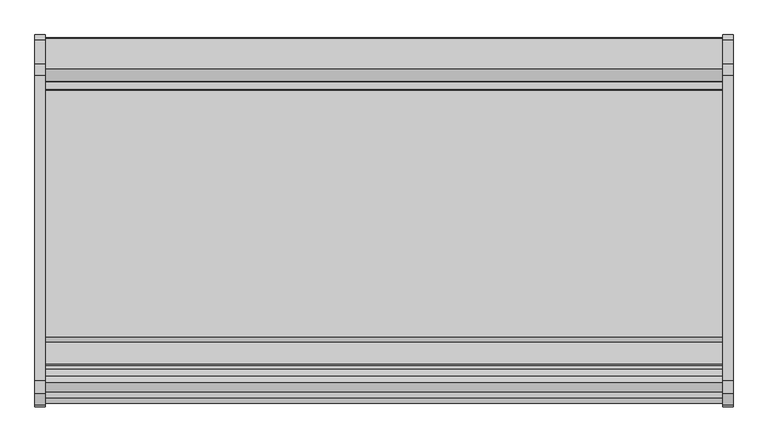
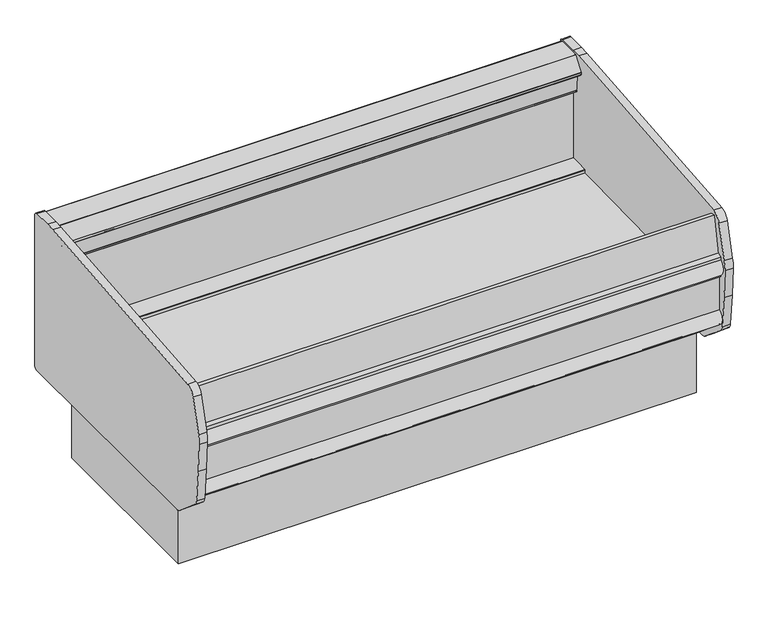
"""IFC4 building model written with IfcOpenShell, lengths in millimetres: proxy geometry."""

from ifc_helpers import new_model, si_unit, point, frame, frame_2d, origin, origin_with_axes, place, context, project, spatial, polyline, circle_curve, trimmed, segment, composite_curve, outline, extrude, source, transform, mapped, element, save
from ifc_brep_helpers import plane_surface, revolved_surface, advanced_brep


def mechanical_equipment_bba1b7fb(model_context):
    return source(origin(), model_context, "Body", "SolidModel", [
        extrude(outline(composite_curve([segment(trimmed(circle_curve(frame_2d((1219.2, -1463.6394819)), 38.1), [point((1181.1, -1463.6394819))], [point((1257.3, -1463.6394819))], False, "CARTESIAN"), True, "CONTINUOUS"), segment(trimmed(circle_curve(frame_2d((1219.2, -1463.6394819)), 38.1), [point((1257.3, -1463.6394819))], [point((1181.1, -1463.6394819))], False, "CARTESIAN"), True, "CONTINUOUS")], self_intersect=False)), origin_with_axes(), (0.0, 0.0, 1.0), 101.6),
        extrude(outline(polyline([(67.5523612, -1215.2909077), (303.3625867, -1215.2909077), (303.3625867, -1515.2505291), (67.5523612, -1515.2505291), (67.5523612, -1215.2909077)])), frame((0.0, 0.0, 85.9624321), z_axis=(0.0, 0.0, 1.0), x_axis=(1.0, 0.0, 0.0)), (0.0, 0.0, 1.0), 15.6375679),
        advanced_brep(
        [(2438.4, -699.9589272, 330.2), (2438.4, -1569.9089272, 330.2), (2438.4, -1569.9089272, 0.0), (2438.4, -699.9589272, 0.0), (0.0, -699.9589272, 330.2), (0.0, -699.9589272, 0.0), (0.0, -1569.9089272, 0.0), (0.0, -1569.9089272, 330.2), (303.3625867, -1515.2505291, 0.0), (303.3625867, -1215.2909077, 0.0), (67.5523612, -1215.2909077, 0.0), (67.5523612, -1515.2505291, 0.0), (1168.4, -1463.6394819, 0.0), (1270.0, -1463.6394819, 0.0), (303.3625867, -1515.2505291, 101.6), (67.5523612, -1515.2505291, 101.6), (67.5523612, -1215.2909077, 101.6), (303.3625867, -1215.2909077, 101.6), (1168.4, -1463.6394819, 101.6), (1270.0, -1463.6394819, 101.6)],
        [
            (0, 1),
            (1, 2),
            (2, 3),
            (3, 0),
            (4, 5),
            (5, 6),
            (6, 7),
            (7, 4),
            (0, 4),
            (7, 1),
            (6, 2),
            (5, 3),
            (8, 9),
            (9, 10),
            (10, 11),
            (11, 8),
            (12, 13, circle_curve(frame((1219.2, -1463.6394819, 0.0), z_axis=(0.0, 0.0, 1.0), x_axis=(1.0, 0.0, 0.0)), 50.8)),
            (13, 12, circle_curve(frame((1219.2, -1463.6394819, 0.0), z_axis=(0.0, 0.0, 1.0), x_axis=(1.0, 0.0, 0.0)), 50.8)),
            (14, 15),
            (15, 16),
            (16, 17),
            (17, 14),
            (17, 9),
            (8, 14),
            (16, 10),
            (15, 11),
            (18, 19, circle_curve(frame((1219.2, -1463.6394819, 101.6), z_axis=(0.0, 0.0, -1.0), x_axis=(1.0, 0.0, 0.0)), 50.8)),
            (19, 18, circle_curve(frame((1219.2, -1463.6394819, 101.6), z_axis=(0.0, 0.0, -1.0), x_axis=(1.0, 0.0, 0.0)), 50.8)),
            (19, 13),
            (12, 18),
        ],
        [
            plane_surface(frame((2438.4, -699.9589272, 330.2), z_axis=(1.0, 0.0, 0.0), x_axis=(0.0, -1.0, 0.0))),
            plane_surface(frame((0.0, -699.9589272, 330.2), z_axis=(-1.0, 0.0, 0.0), x_axis=(0.0, 1.0, 0.0))),
            plane_surface(frame((2438.4, -699.9589272, 330.2), z_axis=(0.0, 0.0, 1.0), x_axis=(-1.0, 0.0, 0.0))),
            plane_surface(frame((2438.4, -1569.9089272, 330.2), z_axis=(0.0, -1.0, 0.0), x_axis=(-1.0, 0.0, 0.0))),
            plane_surface(frame((2438.4, -1569.9089272, 0.0), z_axis=(0.0, 0.0, -1.0), x_axis=(-1.0, 0.0, 0.0))),
            plane_surface(frame((2438.4, -699.9589272, 0.0), z_axis=(0.0, 1.0, 0.0), x_axis=(-1.0, 0.0, 0.0))),
            plane_surface(frame((303.3625867, -1493.7089272, 101.6), z_axis=(0.0, 0.0, -1.0), x_axis=(0.0, 1.0, 0.0))),
            plane_surface(frame((303.3625867, -1515.2505291, 101.6), z_axis=(-1.0, 0.0, 0.0), x_axis=(0.0, 0.0, -1.0))),
            plane_surface(frame((303.3625867, -1215.2909077, 101.6), z_axis=(0.0, -1.0, 0.0), x_axis=(0.0, 0.0, -1.0))),
            plane_surface(frame((67.5523612, -1215.2909077, 101.6), z_axis=(1.0, 0.0, 0.0), x_axis=(0.0, 0.0, -1.0))),
            plane_surface(frame((67.5523612, -1515.2505291, 101.6), z_axis=(0.0, 1.0, 0.0), x_axis=(0.0, 0.0, -1.0))),
            plane_surface(frame((1270.0, -1463.6394819, 101.6), z_axis=(0.0, 0.0, -1.0), x_axis=(0.0, 1.0, 0.0))),
            revolved_surface(polyline([(1270.0, -1463.6394819, 101.6), (1270.0, -1463.6394819, 0.0)]), (1219.2, -1463.6394819, 0.0), (0.0, 0.0, 1.0)),
        ],
        [
            (0, [[1, 2, 3, 4]]),
            (1, [[5, 6, 7, 8]]),
            (2, [[-1, 9, -8, 10]]),
            (3, [[-2, -10, -7, 11]]),
            (4, [[-3, -11, -6, 12], [13, 14, 15, 16], [17, 18]]),
            (5, [[-4, -12, -5, -9]]),
            (6, [[19, 20, 21, 22]]),
            (7, [[-22, 23, -13, 24]]),
            (8, [[-21, 25, -14, -23]]),
            (9, [[-20, 26, -15, -25]]),
            (10, [[-19, -24, -16, -26]]),
            (11, [[27, 28]]),
            (12, [[-28, 29, -17, 30]]),
            (12, [[-27, -30, -18, -29]]),
        ],
    ),
        extrude(outline(composite_curve([segment(polyline([(-663.0188916, 561.5495574), (-570.0633266, 563.2962557), (-570.0633266, 546.9302103), (-664.4941765, 544.9832634), (-664.5142583, 560.0237916)]), True, "CONTINUOUS"), segment(trimmed(circle_curve(frame_2d((-662.9902597, 560.0258264)), 1.524), [point((-664.5142583, 560.0237916))], [point((-663.0188916, 561.5495574))], False, "CARTESIAN"), True, "CONTINUOUS")], self_intersect=False)), frame((0.0, 0.0, 0.0), z_axis=(1.0, 0.0, 0.0), x_axis=(0.0, 1.0, 0.0)), (0.0, 0.0, 1.0), 2438.4),
        extrude(outline(polyline([(2438.4, -530.4901272), (2438.4, -570.0633266), (0.0, -570.0633266), (0.0, -530.4901272), (2438.4, -530.4901272)])), frame((0.0, 0.0, 550.5962557), z_axis=(0.0, 0.0, 1.0), x_axis=(1.0, 0.0, 0.0)), (0.0, 0.0, 1.0), 360.3453878),
        extrude(outline(composite_curve([segment(polyline([(-1712.6723356, 994.5079716), (-610.8699812, 1096.7215174)]), True, "CONTINUOUS"), segment(trimmed(circle_curve(frame_2d((-568.2351252, 637.1426589)), 461.5522269), [point((-610.8699812, 1096.7215174))], [point((-568.2351252, 1098.6948858))], False, "CARTESIAN"), True, "CONTINUOUS"), segment(polyline([(-568.2351252, 1098.6948858), (-482.0580807, 1098.6948858)]), True, "CONTINUOUS"), segment(trimmed(circle_curve(frame_2d((-482.0580807, 1081.7560842)), 16.9388016), [point((-482.0580807, 1098.6948858))], [point((-465.1192791, 1081.7560842))], False, "CARTESIAN"), True, "CONTINUOUS"), segment(polyline([(-465.1192791, 1081.7560842), (-465.1192791, 330.347135)]), True, "CONTINUOUS"), segment(trimmed(circle_curve(frame_2d((-477.8192791, 330.347135)), 12.7), [point((-465.1192791, 330.347135))], [point((-477.8192791, 317.647135))], False, "CARTESIAN"), True, "CONTINUOUS"), segment(polyline([(-477.8192791, 317.647135), (-1621.6424876, 317.647135)]), True, "CONTINUOUS"), segment(trimmed(circle_curve(frame_2d((-1621.6424876, 355.747135)), 38.1), [point((-1621.6424876, 317.647135))], [point((-1646.0966059, 326.5305969))], False, "CARTESIAN"), True, "CONTINUOUS"), segment(polyline([(-1646.0966059, 326.5305969), (-1770.7013311, 430.8242225)]), True, "CONTINUOUS"), segment(trimmed(circle_curve(frame_2d((-1746.2472128, 460.0407606)), 38.1), [point((-1770.7013311, 430.8242225))], [point((-1784.1772098, 456.4455794))], False, "CARTESIAN"), True, "CONTINUOUS"), segment(polyline([(-1784.1772098, 456.4455794), (-1798.8588497, 611.340293), (-1806.0556686, 750.1888926)]), True, "CONTINUOUS"), segment(trimmed(circle_curve(frame_2d((-1660.201461, 757.7488271)), 146.05), [point((-1806.0556686, 750.1888926))], [point((-1801.0662666, 796.3196583))], False, "CARTESIAN"), True, "CONTINUOUS"), segment(polyline([(-1801.0662666, 796.3196583), (-1756.9762532, 957.3411085)]), True, "CONTINUOUS"), segment(trimmed(circle_curve(frame_2d((-1707.979799, 943.9251672)), 50.8), [point((-1756.9762532, 957.3411085))], [point((-1712.6723356, 994.5079716))], False, "CARTESIAN"), True, "CONTINUOUS")], self_intersect=False)), frame((2438.4, 0.0, 0.0), z_axis=(1.0, 0.0, 0.0), x_axis=(0.0, 1.0, 0.0)), (0.0, 0.0, 1.0), 38.1),
        extrude(outline(polyline([(-1755.6971192, 788.7565355), (-1757.3739296, 789.1697583), (-1761.7535813, 789.1697583), (-1761.7535813, 701.4205261), (-1773.1366183, 701.4205261), (-1773.1366183, 799.1683393), (-1752.4268741, 805.9080494), (-1755.6971192, 788.7565355)])), frame((0.0, 0.0, 0.0), z_axis=(1.0, 0.0, 0.0), x_axis=(0.0, 1.0, 0.0)), (0.0, 0.0, 1.0), 2438.4),
        extrude(outline(polyline([(-1730.3352485, 789.1818039), (-1711.4960952, 779.9200178), (-1711.4960952, 751.1873944), (-1761.7535813, 751.1873944), (-1761.7535813, 789.1697583), (-1757.3739296, 789.1697583), (-1731.5147439, 782.7971787), (-1730.3352485, 789.1818039)])), frame((0.0, 0.0, 0.0), z_axis=(1.0, 0.0, 0.0), x_axis=(0.0, 1.0, 0.0)), (0.0, 0.0, 1.0), 2438.4),
        extrude(outline(polyline([(2438.4, -1659.0883266), (2438.4, -1669.1883265), (0.0, -1669.1883265), (0.0, -1659.0883266), (2438.4, -1659.0883266)])), frame((0.0, 0.0, 751.1873944), z_axis=(0.0, 0.0, 1.0), x_axis=(1.0, 0.0, 0.0)), (0.0, 0.0, 1.0), 127.9354516),
        extrude(outline(composite_curve([segment(trimmed(circle_curve(frame_2d((-1746.1558191, 746.125)), 47.09326), [point((-1773.1366183, 707.5269222))], [point((-1773.1366183, 784.7230778))], False, "CARTESIAN"), True, "CONTINUOUS"), segment(polyline([(-1773.1366183, 784.7230778), (-1773.1366183, 707.5269222)]), True, "CONTINUOUS")], self_intersect=False)), frame((0.0, 0.0, 0.0), z_axis=(1.0, 0.0, 0.0), x_axis=(0.0, 1.0, 0.0)), (0.0, 0.0, 1.0), 2438.4),
        extrude(outline(polyline([(0.0, -25.4000001), (0.0, 0.0), (2438.4, 0.0), (2438.4, -25.4000001), (0.0, -25.4000001)])), frame((2438.4, -595.868408, 908.6773245), z_axis=(0.0, -0.08848576079298218, 0.9960774418371733), x_axis=(-1.0, 0.0, 0.0)), (0.0, 0.0, 1.0), 101.6),
        extrude(outline(composite_curve([segment(polyline([(-475.7277272, 987.425), (-476.5532272, 987.425), (-476.5532272, 885.0884), (-478.9535272, 885.0884), (-478.9535272, 845.395723), (-479.6647272, 843.8705497), (-479.6647272, 822.6520425), (-480.8839272, 822.6520425), (-480.8839272, 993.0955497), (-530.4901272, 993.0955497), (-530.4901272, 910.9416436), (-570.0633266, 910.9416436), (-572.0841353, 910.050681), (-595.8032294, 907.9436139)]), True, "CONTINUOUS"), segment(trimmed(circle_curve(frame_2d((-595.9380817, 909.4616359)), 1.524), [point((-595.8032294, 907.9436139))], [point((-597.4561037, 909.3267836))], False, "CARTESIAN"), True, "CONTINUOUS"), segment(polyline([(-597.4561037, 909.3267836), (-598.1640782, 917.2963992), (-596.6460562, 917.4312515), (-595.868408, 908.6773245), (-570.5680409, 910.9248628), (-579.5581942, 1012.1263309), (-604.8585613, 1009.8787926), (-604.9934145, 1001.1986899), (-615.7636253, 1007.9286645), (-617.1081134, 1005.8182411), (-609.0503424, 1000.6848748)]), True, "CONTINUOUS"), segment(trimmed(circle_curve(frame_2d((-609.4836476, 1000.0047218)), 0.80645), [point((-609.0503424, 1000.6848748))], [point((-609.9169529, 999.3245687))], False, "CARTESIAN"), True, "CONTINUOUS"), segment(polyline([(-609.9169529, 999.3245687), (-633.3117081, 1014.2286715)]), True, "CONTINUOUS"), segment(trimmed(circle_curve(frame_2d((-632.4928635, 1015.5140001)), 1.524), [point((-633.3117081, 1014.2286715))], [point((-634.0168635, 1015.5140001))], False, "CARTESIAN"), True, "CONTINUOUS"), segment(polyline([(-634.0168635, 1015.5140001), (-634.0168635, 1026.8827274)]), True, "CONTINUOUS"), segment(trimmed(circle_curve(frame_2d((-632.4928635, 1026.8827274)), 1.524), [point((-634.0168635, 1026.8827274))], [point((-633.7258054, 1027.7785121))], False, "CARTESIAN"), True, "CONTINUOUS"), segment(polyline([(-633.7258054, 1027.7785121), (-589.6840524, 1088.3967847)]), True, "CONTINUOUS"), segment(trimmed(circle_curve(frame_2d((-588.4511105, 1087.501)), 1.524), [point((-589.6840524, 1088.3967847))], [point((-588.4511105, 1089.025))], False, "CARTESIAN"), True, "CONTINUOUS"), segment(polyline([(-588.4511105, 1089.025), (-477.2517272, 1089.025)]), True, "CONTINUOUS"), segment(trimmed(circle_curve(frame_2d((-477.2517272, 1087.501)), 1.524), [point((-477.2517272, 1089.025))], [point((-475.7277272, 1087.501))], False, "CARTESIAN"), True, "CONTINUOUS"), segment(polyline([(-475.7277272, 1087.501), (-475.7277272, 987.425)]), True, "CONTINUOUS")], self_intersect=False)), frame((0.0, 0.0, 0.0), z_axis=(1.0, 0.0, 0.0), x_axis=(0.0, 1.0, 0.0)), (0.0, 0.0, 1.0), 2438.4),
        extrude(outline(polyline([(-1696.932179, 969.9930987), (-1731.5147439, 782.7971787), (-1755.6971192, 788.7565355), (-1720.2320823, 974.7606578), (-1696.932179, 969.9930987)])), frame((0.0, 0.0, 0.0), z_axis=(1.0, 0.0, 0.0), x_axis=(0.0, 1.0, 0.0)), (0.0, 0.0, 1.0), 2438.4),
        extrude(outline(composite_curve([segment(polyline([(-1761.7535813, 528.6191944), (-1761.7535813, 455.7577585)]), True, "CONTINUOUS"), segment(trimmed(circle_curve(frame_2d((-1744.2401439, 492.1884764)), 40.4217479), [point((-1761.7535813, 455.7577585))], [point((-1761.7535813, 528.6191944))], False, "CARTESIAN"), True, "CONTINUOUS")], self_intersect=False)), frame((0.0, 0.0, 0.0), z_axis=(1.0, 0.0, 0.0), x_axis=(0.0, 1.0, 0.0)), (0.0, 0.0, 1.0), 2438.4),
        extrude(outline(composite_curve([segment(polyline([(-570.0633266, 546.9302103), (-570.0633266, 550.5962557), (-530.5071043, 550.5962557)]), True, "CONTINUOUS"), segment(trimmed(circle_curve(frame_2d((-676.4639272, 555.8124162)), 146.05), [point((-530.5071043, 550.5962557))], [point((-672.9869407, 409.80381))], False, "CARTESIAN"), True, "CONTINUOUS"), segment(polyline([(-672.9869407, 409.80381), (-1540.1567105, 389.1534)]), True, "CONTINUOUS"), segment(trimmed(circle_curve(frame_2d((-1559.3933272, 540.3344589)), 152.4), [point((-1540.1567105, 389.1534))], [point((-1711.4481362, 530.0828698))], False, "CARTESIAN"), True, "CONTINUOUS"), segment(polyline([(-1711.4481362, 530.0828698), (-1711.4481362, 591.85048), (-1711.4960952, 751.1873944), (-1669.1883265, 751.1873944), (-1669.1883265, 529.7199448), (-1652.7281119, 480.0778674), (-1572.2963737, 480.0778674), (-1553.8455576, 510.3420285), (-1553.8455576, 526.6468839), (-570.0633266, 546.9302103)]), True, "CONTINUOUS")], self_intersect=False)), frame((0.0, 0.0, 0.0), z_axis=(1.0, 0.0, 0.0), x_axis=(0.0, 1.0, 0.0)), (0.0, 0.0, 1.0), 2438.4),
        extrude(outline(composite_curve([segment(polyline([(-480.8839272, 993.0955497), (-480.8839272, 330.2), (-1611.6512872, 330.2)]), True, "CONTINUOUS"), segment(trimmed(circle_curve(frame_2d((-1611.6512872, 331.4446)), 1.2446), [point((-1611.6512872, 330.2))], [point((-1612.4490661, 330.4893105))], False, "CARTESIAN"), True, "CONTINUOUS"), segment(polyline([(-1612.4490661, 330.4893105), (-1761.3004651, 456.1056578)]), True, "CONTINUOUS"), segment(trimmed(circle_curve(frame_2d((-1760.4967635, 457.0719159)), 1.2568179), [point((-1761.3004651, 456.1056578))], [point((-1761.7535813, 457.0719159))], False, "CARTESIAN"), True, "CONTINUOUS"), segment(polyline([(-1761.7535813, 457.0719159), (-1761.7535813, 751.1873944), (-1711.4960952, 751.1873944), (-1711.4481362, 591.85048), (-1711.4481362, 530.0828698)]), True, "CONTINUOUS"), segment(trimmed(circle_curve(frame_2d((-1559.3933272, 540.3344589)), 152.4), [point((-1711.4481362, 530.0828698))], [point((-1540.1567105, 389.1534))], True, "CARTESIAN"), True, "CONTINUOUS"), segment(polyline([(-1540.1567105, 389.1534), (-672.9869407, 409.80381)]), True, "CONTINUOUS"), segment(trimmed(circle_curve(frame_2d((-676.4639272, 555.8124162)), 146.05), [point((-672.9869407, 409.80381))], [point((-530.4901272, 551.095191))], True, "CARTESIAN"), True, "CONTINUOUS"), segment(polyline([(-530.4901272, 551.095191), (-530.4901272, 993.0955497), (-480.8839272, 993.0955497)]), True, "CONTINUOUS")], self_intersect=False)), frame((0.0, 0.0, 0.0), z_axis=(1.0, 0.0, 0.0), x_axis=(0.0, 1.0, 0.0)), (0.0, 0.0, 1.0), 2438.4),
        extrude(outline(composite_curve([segment(polyline([(-1712.6723356, 994.5079716), (-610.8699812, 1096.7215174)]), True, "CONTINUOUS"), segment(trimmed(circle_curve(frame_2d((-568.2351252, 637.1426589)), 461.5522269), [point((-610.8699812, 1096.7215174))], [point((-568.2351252, 1098.6948858))], False, "CARTESIAN"), True, "CONTINUOUS"), segment(polyline([(-568.2351252, 1098.6948858), (-482.0580807, 1098.6948858)]), True, "CONTINUOUS"), segment(trimmed(circle_curve(frame_2d((-482.0580807, 1081.7560842)), 16.9388016), [point((-482.0580807, 1098.6948858))], [point((-465.1192791, 1081.7560842))], False, "CARTESIAN"), True, "CONTINUOUS"), segment(polyline([(-465.1192791, 1081.7560842), (-465.1192791, 330.347135)]), True, "CONTINUOUS"), segment(trimmed(circle_curve(frame_2d((-477.8192791, 330.347135)), 12.7), [point((-465.1192791, 330.347135))], [point((-477.8192791, 317.647135))], False, "CARTESIAN"), True, "CONTINUOUS"), segment(polyline([(-477.8192791, 317.647135), (-1621.6424876, 317.647135)]), True, "CONTINUOUS"), segment(trimmed(circle_curve(frame_2d((-1621.6424876, 355.747135)), 38.1), [point((-1621.6424876, 317.647135))], [point((-1646.0966059, 326.5305969))], False, "CARTESIAN"), True, "CONTINUOUS"), segment(polyline([(-1646.0966059, 326.5305969), (-1770.7013311, 430.8242225)]), True, "CONTINUOUS"), segment(trimmed(circle_curve(frame_2d((-1746.2472128, 460.0407606)), 38.1), [point((-1770.7013311, 430.8242225))], [point((-1784.1772098, 456.4455794))], False, "CARTESIAN"), True, "CONTINUOUS"), segment(polyline([(-1784.1772098, 456.4455794), (-1798.8588497, 611.340293), (-1806.0556686, 750.1888926)]), True, "CONTINUOUS"), segment(trimmed(circle_curve(frame_2d((-1660.201461, 757.7488271)), 146.05), [point((-1806.0556686, 750.1888926))], [point((-1801.0662666, 796.3196583))], False, "CARTESIAN"), True, "CONTINUOUS"), segment(polyline([(-1801.0662666, 796.3196583), (-1756.9762532, 957.3411085)]), True, "CONTINUOUS"), segment(trimmed(circle_curve(frame_2d((-1707.979799, 943.9251672)), 50.8), [point((-1756.9762532, 957.3411085))], [point((-1712.6723356, 994.5079716))], False, "CARTESIAN"), True, "CONTINUOUS")], self_intersect=False)), frame((-38.1, 0.0, 0.0), z_axis=(1.0, 0.0, 0.0), x_axis=(0.0, 1.0, 0.0)), (0.0, 0.0, 1.0), 38.1),
    ])


if __name__ == "__main__":
    model = new_model("IFC4")
    model_context = context("Model", 3, world=origin())
    ifc_project = project(units=[si_unit("LENGTHUNIT", "METRE", prefix="MILLI")], contexts=[model_context])
    site = spatial("IfcSite", under=ifc_project)
    building = spatial("IfcBuilding", under=site)
    placement = place(None, origin())
    mechanical_equipment_shape = mechanical_equipment_bba1b7fb(model_context)
    element("IfcBuildingElementProxy", 1, Name="Mechanical Equipment", at=placement, inside=building, context=model_context, shape_type="MappedRepresentation", body=[
        mapped(mechanical_equipment_shape, transform((0.0, 0.0, 0.0), x_axis=(1.0, 0.0, 0.0), y_axis=(0.0, 1.0, 0.0), z_axis=(0.0, 0.0, 1.0))),
    ])
    save(model, "model.ifc")
